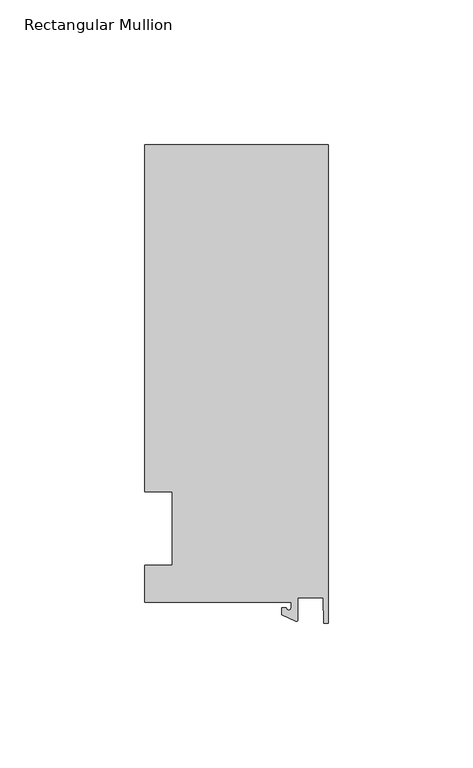
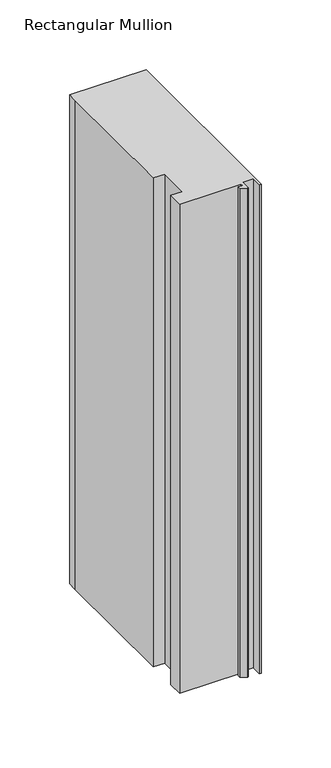
"""IFC4 building model written with IfcOpenShell, lengths in millimetres: member geometry, Rectangular Mullion."""

from ifc_helpers import new_model, si_unit, point, frame, frame_2d, origin, place, context, project, spatial, polyline, circle_curve, trimmed, segment, composite_curve, outline, extrude, source, transform, mapped, element, save


def rectangular_mullion_dbd9c063(model_context):
    return source(origin(), model_context, "Body", "SweptSolid", [
        extrude(outline(composite_curve([segment(polyline([(-12.8216721, -25.5984375), (-63.5, -25.5984375), (-63.5, -12.7), (-53.975, -12.7), (-53.975, 12.7), (-63.5, 12.7), (-63.5, 125.075512), (-63.5, 132.822512), (0.0, 132.822512), (0.0, -32.810012), (-1.5566453, -32.810012), (-1.7144124, -23.9227662), (-10.4340721, -23.9227662), (-10.4340721, -31.6795354)]), True, "CONTINUOUS"), segment(trimmed(circle_curve(frame_2d((-10.9420721, -31.6795354)), 0.508), [point((-10.4340721, -31.6795354))], [point((-11.1567622, -32.1399398))], False, "CARTESIAN"), True, "CONTINUOUS"), segment(polyline([(-11.1567622, -32.1399398), (-15.9966721, -29.8830527), (-15.9966721, -27.5208534), (-14.4091721, -27.5208534)]), True, "CONTINUOUS"), segment(trimmed(circle_curve(frame_2d((-13.6154221, -27.5208534)), 0.79375), [point((-14.4091721, -27.5208534))], [point((-12.8216721, -27.5208534))], True, "CARTESIAN"), True, "CONTINUOUS"), segment(polyline([(-12.8216721, -27.5208534), (-12.8216721, -25.5984375)]), True, "CONTINUOUS")], self_intersect=False)), frame((0.0, 0.0, -429.1478828), z_axis=(0.0, 0.0, 1.0), x_axis=(1.0, 0.0, 0.0)), (0.0, 0.0, 1.0), 429.1478828),
    ])


if __name__ == "__main__":
    model = new_model("IFC4")
    model_context = context("Model", 3, world=origin())
    ifc_project = project(units=[si_unit("LENGTHUNIT", "METRE", prefix="MILLI")], contexts=[model_context])
    site = spatial("IfcSite", under=ifc_project)
    building = spatial("IfcBuilding", under=site)
    placement = place(None, origin())
    rectangular_mullion_shape = rectangular_mullion_dbd9c063(model_context)
    element("IfcMember", 1, ObjectType="Rectangular Mullion", at=placement, inside=building, context=model_context, shape_type="MappedRepresentation", body=[
        mapped(rectangular_mullion_shape, transform((0.0, 0.0, 0.0), x_axis=(1.0, 0.0, 0.0), y_axis=(0.0, 1.0, 0.0), z_axis=(0.0, 0.0, 1.0))),
    ])
    save(model, "model.ifc")
